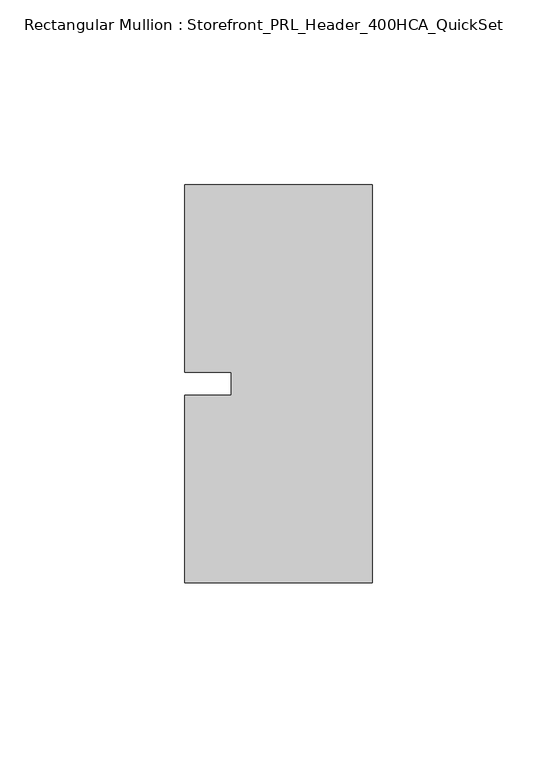
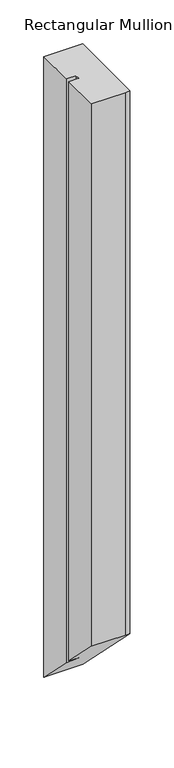
"""IFC4 building model written with IfcOpenShell, lengths in millimetres: member geometry, Rectangular Mullion : Storefront_PRL_Header_400HCA_QuickSet."""

from ifc_helpers import new_model, si_unit, origin, place, context, project, spatial, faceted_brep, source, transform, mapped, element, save


def rectangular_mullion_storefront_prl_header_400hca_quickset_04fd0ad4(model_context):
    return source(origin(), model_context, "Body", "Brep", [
        faceted_brep([(-38.1, -3.175, 0.0), (-50.8, -3.175, 0.0), (-50.8, -53.975, 0.0), (-6.35, -53.975, 0.0), (0.0, -53.975, 0.0), (0.0, 53.975, 0.0), (-7.7254924, 53.975, 0.0), (-50.8, 53.975, 0.0), (-50.8, 3.175, 0.0), (-38.1, 3.175, 0.0), (-38.1, -3.175, -805.3916667), (-50.8, -3.175, -805.3916667), (-50.8, -53.975, -754.5916667), (-6.35, -53.975, -754.5916667), (0.0, -53.975, -754.5916667), (0.0, 53.975, -862.5416667), (-7.7254924, 53.975, -862.5416667), (-50.8, 53.975, -862.5416667), (-50.8, 3.175, -811.7416667), (-38.1, 3.175, -811.7416667)], [[[0, 1, 2, 3, 4, 5, 6, 7, 8, 9]], [[1, 0, 10, 11]], [[2, 1, 11, 12]], [[3, 2, 12, 13]], [[4, 3, 13, 14]], [[5, 4, 14, 15]], [[6, 5, 15, 16]], [[7, 6, 16, 17]], [[8, 7, 17, 18]], [[9, 8, 18, 19]], [[0, 9, 19, 10]], [[10, 19, 18, 17, 16, 15, 14, 13, 12, 11]]]),
    ])


if __name__ == "__main__":
    model = new_model("IFC4")
    model_context = context("Model", 3, world=origin())
    ifc_project = project(units=[si_unit("LENGTHUNIT", "METRE", prefix="MILLI")], contexts=[model_context])
    site = spatial("IfcSite", under=ifc_project)
    building = spatial("IfcBuilding", under=site)
    placement = place(None, origin())
    rectangular_mullion_storefront_prl_header_400hca_quickset_shape = rectangular_mullion_storefront_prl_header_400hca_quickset_04fd0ad4(model_context)
    element("IfcMember", 1, ObjectType="Rectangular Mullion : Storefront_PRL_Header_400HCA_QuickSet", at=placement, inside=building, context=model_context, shape_type="MappedRepresentation", body=[
        mapped(rectangular_mullion_storefront_prl_header_400hca_quickset_shape, transform((0.0, 0.0, 0.0), x_axis=(1.0, 0.0, 0.0), y_axis=(0.0, 1.0, 0.0), z_axis=(0.0, 0.0, 1.0))),
    ])
    save(model, "model.ifc")
